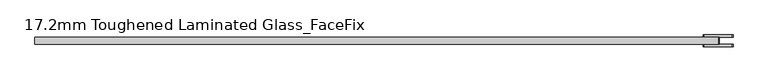
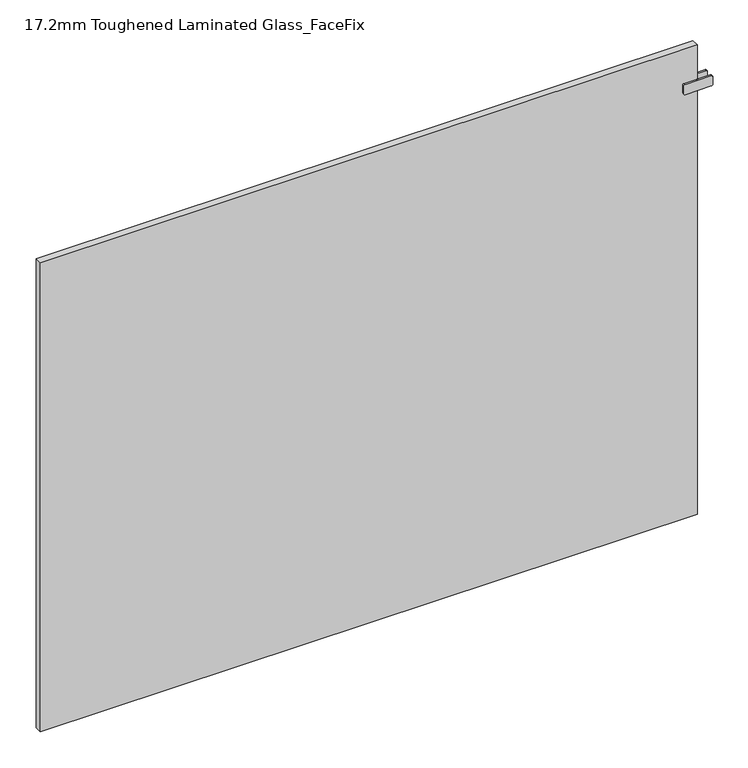
"""IFC4 building model written with IfcOpenShell, lengths in millimetres: plate geometry, 17.2mm Toughened Laminated Glass_FaceFix."""

from ifc_helpers import new_model, si_unit, point, frame, frame_2d, origin, origin_with_axes, place, context, project, spatial, polyline, circle_curve, trimmed, segment, composite_curve, outline, extrude, source, transform, mapped, element, save


def plate_17_2mm_toughened_laminated_glass_facefix_1b20fcd5(model_context):
    return source(origin(), model_context, "Body", "SweptSolid", [
        extrude(outline(polyline([(797.5000001, -40.6), (792.5000001, -40.6), (792.5000001, -23.4), (797.5000001, -23.4), (797.5000001, -40.6)])), frame((0.0, 0.0, 1087.5), z_axis=(0.0, 0.0, 1.0), x_axis=(1.0, 0.0, 0.0)), (0.0, 0.0, 1.0), 25.0),
        extrude(outline(composite_curve([segment(polyline([(1087.5, 763.0000001), (1087.5, 827.0000001)]), True, "CONTINUOUS"), segment(trimmed(circle_curve(frame_2d((1090.5, 827.0000001)), 3.0), [point((1087.5, 827.0000001))], [point((1090.5, 830.0000001))], False, "CARTESIAN"), True, "CONTINUOUS"), segment(polyline([(1090.5, 830.0000001), (1109.5, 830.0000001)]), True, "CONTINUOUS"), segment(trimmed(circle_curve(frame_2d((1109.5, 827.0000001)), 3.0), [point((1109.5, 830.0000001))], [point((1112.5, 827.0000001))], False, "CARTESIAN"), True, "CONTINUOUS"), segment(polyline([(1112.5, 827.0000001), (1112.5, 763.0000001)]), True, "CONTINUOUS"), segment(trimmed(circle_curve(frame_2d((1109.5, 763.0000001)), 3.0), [point((1112.5, 763.0000001))], [point((1109.5, 760.0000001))], False, "CARTESIAN"), True, "CONTINUOUS"), segment(polyline([(1109.5, 760.0000001), (1090.5, 760.0000001)]), True, "CONTINUOUS"), segment(trimmed(circle_curve(frame_2d((1090.5, 763.0000001)), 3.0), [point((1090.5, 760.0000001))], [point((1087.5, 763.0000001))], False, "CARTESIAN"), True, "CONTINUOUS")], self_intersect=False)), frame((0.0, -23.4, 0.0), z_axis=(0.0, 1.0, 0.0), x_axis=(0.0, 0.0, 1.0)), (0.0, 0.0, 1.0), 5.0),
        extrude(outline(composite_curve([segment(polyline([(1087.5, 763.0000001), (1087.5, 827.0000001)]), True, "CONTINUOUS"), segment(trimmed(circle_curve(frame_2d((1090.5, 827.0000001)), 3.0), [point((1087.5, 827.0000001))], [point((1090.5, 830.0000001))], False, "CARTESIAN"), True, "CONTINUOUS"), segment(polyline([(1090.5, 830.0000001), (1109.5, 830.0000001)]), True, "CONTINUOUS"), segment(trimmed(circle_curve(frame_2d((1109.5, 827.0000001)), 3.0), [point((1109.5, 830.0000001))], [point((1112.5, 827.0000001))], False, "CARTESIAN"), True, "CONTINUOUS"), segment(polyline([(1112.5, 827.0000001), (1112.5, 763.0000001)]), True, "CONTINUOUS"), segment(trimmed(circle_curve(frame_2d((1109.5, 763.0000001)), 3.0), [point((1112.5, 763.0000001))], [point((1109.5, 760.0000001))], False, "CARTESIAN"), True, "CONTINUOUS"), segment(polyline([(1109.5, 760.0000001), (1090.5, 760.0000001)]), True, "CONTINUOUS"), segment(trimmed(circle_curve(frame_2d((1090.5, 763.0000001)), 3.0), [point((1090.5, 760.0000001))], [point((1087.5, 763.0000001))], False, "CARTESIAN"), True, "CONTINUOUS")], self_intersect=False)), frame((0.0, -45.6, 0.0), z_axis=(0.0, 1.0, 0.0), x_axis=(0.0, 0.0, 1.0)), (0.0, 0.0, 1.0), 5.0),
        extrude(outline(polyline([(795.0000001, -23.4), (795.0000001, -40.6), (-795.0000001, -40.6), (-795.0000001, -23.4), (795.0000001, -23.4)])), origin_with_axes(), (0.0, 0.0, 1.0), 1200.0),
    ])


if __name__ == "__main__":
    model = new_model("IFC4")
    model_context = context("Model", 3, world=origin())
    ifc_project = project(units=[si_unit("LENGTHUNIT", "METRE", prefix="MILLI")], contexts=[model_context])
    site = spatial("IfcSite", under=ifc_project)
    building = spatial("IfcBuilding", under=site)
    placement = place(None, origin())
    plate_17_2mm_toughened_laminated_glass_facefix_shape = plate_17_2mm_toughened_laminated_glass_facefix_1b20fcd5(model_context)
    element("IfcPlate", 1, ObjectType="17.2mm Toughened Laminated Glass_FaceFix", at=placement, inside=building, context=model_context, shape_type="MappedRepresentation", body=[
        mapped(plate_17_2mm_toughened_laminated_glass_facefix_shape, transform((0.0, 0.0, 0.0), x_axis=(1.0, 0.0, 0.0), y_axis=(0.0, 1.0, 0.0), z_axis=(0.0, 0.0, 1.0))),
    ])
    save(model, "model.ifc")
